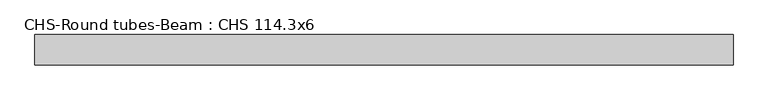
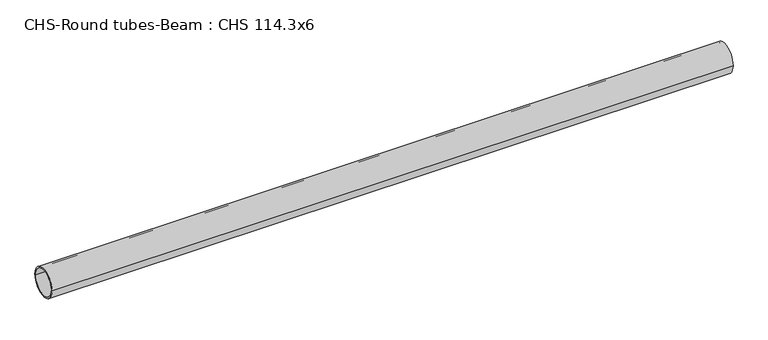
"""IFC4 building model written with IfcOpenShell, lengths in millimetres: beam geometry, CHS-Round tubes-Beam : CHS 114.3x6."""

from ifc_helpers import new_model, si_unit, point, frame, origin, origin_2d, place, context, project, spatial, circle_curve, trimmed, segment, composite_curve, outline, extrude, source, transform, mapped, element, save


def chs_round_tubes_beam_chs_114_3x6_6e228706(model_context):
    return source(origin(), model_context, "Body", "SweptSolid", [
        extrude(outline(composite_curve([segment(trimmed(circle_curve(origin_2d(), 57.15), [point((57.15, 0.0))], [point((-57.15, 0.0))], False, "CARTESIAN"), True, "CONTINUOUS"), segment(trimmed(circle_curve(origin_2d(), 57.15), [point((-57.15, 0.0))], [point((57.15, 0.0))], False, "CARTESIAN"), True, "CONTINUOUS")], self_intersect=False), holes=[composite_curve([segment(trimmed(circle_curve(origin_2d(), 51.15), [point((51.15, 0.0))], [point((-51.15, 0.0))], True, "CARTESIAN"), True, "CONTINUOUS"), segment(trimmed(circle_curve(origin_2d(), 51.15), [point((-51.15, 0.0))], [point((51.15, 0.0))], True, "CARTESIAN"), True, "CONTINUOUS")], self_intersect=False)]), frame((-1279.0584222, 0.0, 0.0), z_axis=(1.0, 0.0, 0.0), x_axis=(0.0, 1.0, 0.0)), (0.0, 0.0, 1.0), 2644.3096865),
    ])


if __name__ == "__main__":
    model = new_model("IFC4")
    model_context = context("Model", 3, world=origin())
    ifc_project = project(units=[si_unit("LENGTHUNIT", "METRE", prefix="MILLI")], contexts=[model_context])
    site = spatial("IfcSite", under=ifc_project)
    building = spatial("IfcBuilding", under=site)
    placement = place(None, origin())
    chs_round_tubes_beam_chs_114_3x6_shape = chs_round_tubes_beam_chs_114_3x6_6e228706(model_context)
    element("IfcBeam", 1, ObjectType="CHS-Round tubes-Beam : CHS 114.3x6", at=placement, inside=building, context=model_context, shape_type="MappedRepresentation", body=[
        mapped(chs_round_tubes_beam_chs_114_3x6_shape, transform((0.0, 0.0, 0.0), x_axis=(1.0, 0.0, 0.0), y_axis=(0.0, 1.0, 0.0), z_axis=(0.0, 0.0, 1.0))),
    ])
    save(model, "model.ifc")
